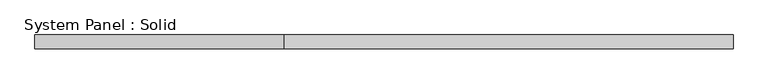
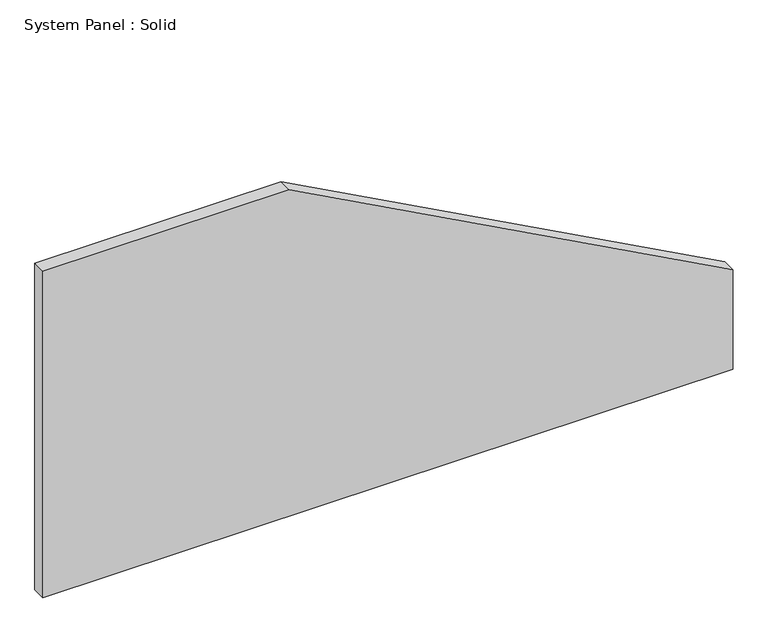
"""IFC4 building model written with IfcOpenShell, lengths in millimetres: plate geometry, System Panel : Solid."""

import ifcopenshell
import ifcopenshell.guid

model = None  # the IFC model being written
_history = None  # IfcOwnerHistory: only IFC2X3 demands one
_inside = {}  # id of a spatial element -> (the spatial element, [elements in it])
_under = {}  # id of a project, library or spatial element -> (it, [spatial elements below it])
_declared = {}  # id of a project -> (the project, [libraries it declares])
_typed = {}  # id of a type object -> (the type object, [elements of that type])
_made_of = {}  # id of a material, layer set ... -> (it, [elements and type objects made of it])


def new_model(schema):
    """Start an empty IFC model of exactly this schema.

    Asked for "IFC4X3", IfcOpenShell would pick the latest addendum, in which some entities
    have other attributes; the version numbers below select the first issue.
    IFC2X3 requires an IfcOwnerHistory on every rooted entity: one is made here for all.
    """
    global model, _history
    if schema == "IFC4X3":
        model = ifcopenshell.file(schema_version=(4, 3, 0, 0))
    else:
        model = ifcopenshell.file(schema=schema)
    _inside.clear()
    _under.clear()
    _declared.clear()
    _typed.clear()
    _made_of.clear()
    _history = None
    if model.schema == "IFC2X3":
        org = make("IfcOrganization", Name="unknown")
        user = make(
            "IfcPersonAndOrganization",
            ThePerson=make("IfcPerson", FamilyName="unknown"),
            TheOrganization=org,
        )
        app = make(
            "IfcApplication",
            ApplicationDeveloper=org,
            Version="unknown",
            ApplicationFullName="unknown",
            ApplicationIdentifier="unknown",
        )
        _history = make(
            "IfcOwnerHistory",
            OwningUser=user,
            OwningApplication=app,
            ChangeAction="ADDED",
            CreationDate=0,
        )
    return model


def make(cls, **values):
    """One entity of the class cls with the attributes given. An attribute that is None is left unset."""
    return model.create_entity(
        cls, **{name: value for name, value in values.items() if value is not None}
    )


def rooted(cls, **values):
    """An entity with a GlobalId (a new one), such as an element, a storey or a relation."""
    return make(cls, GlobalId=ifcopenshell.guid.new(), OwnerHistory=_history, **values)


def si_unit(unit_type, name, prefix=None):
    """IfcSIUnit, for example si_unit("LENGTHUNIT", "METRE", prefix="MILLI")."""
    return make("IfcSIUnit", UnitType=unit_type, Prefix=prefix, Name=name)


def assignment(units):
    """IfcUnitAssignment: the units of a project."""
    return None if units is None else make("IfcUnitAssignment", Units=units)


def point(xyz):
    """IfcCartesianPoint."""
    return None if xyz is None else make("IfcCartesianPoint", Coordinates=xyz)


def direction(xyz):
    """IfcDirection."""
    return None if xyz is None else make("IfcDirection", DirectionRatios=xyz)


def frame(location, z_axis=None, x_axis=None):
    """IfcAxis2Placement3D, a coordinate frame: its origin and axes. An axis left out is left unset."""
    return make(
        "IfcAxis2Placement3D",
        Location=point(location),
        Axis=direction(z_axis),
        RefDirection=direction(x_axis),
    )


def origin():
    """The frame at (0, 0, 0) with its axes left unset."""
    return frame((0.0, 0.0, 0.0))


def place(relative_to, where):
    """IfcLocalPlacement: puts the frame where relative to a parent placement (None: the world)."""
    return make(
        "IfcLocalPlacement", PlacementRelTo=relative_to, RelativePlacement=where
    )


def context(
    kind, dimensions, precision=None, world=None, true_north=None, identifier=None
):
    """IfcGeometricRepresentationContext, for example the 3D "Model" context."""
    return make(
        "IfcGeometricRepresentationContext",
        ContextIdentifier=identifier,
        ContextType=kind,
        CoordinateSpaceDimension=dimensions,
        Precision=precision,
        WorldCoordinateSystem=world,
        TrueNorth=true_north,
    )


def project(units=None, contexts=None):
    """IfcProject with its units and contexts."""
    return rooted(
        "IfcProject",
        Name="project",
        RepresentationContexts=contexts,
        UnitsInContext=assignment(units),
    )


def spatial(cls, under=None, at=None, **own):
    """A site, building, storey or space (cls), placed at a placement, below another one or the project."""
    s = rooted(cls, ObjectPlacement=at, **own)
    if under is not None:
        _under.setdefault(under.id(), (under, []))[1].append(s)
    return s


def polyline(points):
    """IfcPolyline through the points."""
    return make("IfcPolyline", Points=[point(p) for p in points])


def outline(outer, holes=None, kind="AREA"):
    """IfcArbitraryClosedProfileDef: a profile drawn as a closed curve; with holes, ...WithVoids."""
    if holes is None:
        return make("IfcArbitraryClosedProfileDef", ProfileType=kind, OuterCurve=outer)
    return make(
        "IfcArbitraryProfileDefWithVoids",
        ProfileType=kind,
        OuterCurve=outer,
        InnerCurves=holes,
    )


def extrude(swept, where, along, depth):
    """IfcExtrudedAreaSolid: the profile swept, set in the frame where, extruded along a direction by depth."""
    return make(
        "IfcExtrudedAreaSolid",
        SweptArea=swept,
        Position=where,
        ExtrudedDirection=direction(along),
        Depth=depth,
    )


def shape(context_of_items, identifier, shape_type, items):
    """IfcShapeRepresentation: the items that make up one representation, for example the "Body"."""
    return make(
        "IfcShapeRepresentation",
        ContextOfItems=context_of_items,
        RepresentationIdentifier=identifier,
        RepresentationType=shape_type,
        Items=items,
    )


def source(mapping_origin, context_of_items, identifier, shape_type, items):
    """IfcRepresentationMap: a shape defined once, which mapped items show again and again."""
    return make(
        "IfcRepresentationMap",
        MappingOrigin=mapping_origin,
        MappedRepresentation=shape(context_of_items, identifier, shape_type, items),
    )


def transform(
    local_origin,
    x_axis=None,
    y_axis=None,
    z_axis=None,
    scale=None,
    scale2=None,
    scale3=None,
    uniform=True,
):
    """IfcCartesianTransformationOperator3D, or its non-uniform kind. x_axis, y_axis, z_axis: its Axis1, 2, 3."""
    if uniform:
        return make(
            "IfcCartesianTransformationOperator3D",
            Axis1=direction(x_axis),
            Axis2=direction(y_axis),
            LocalOrigin=point(local_origin),
            Scale=scale,
            Axis3=direction(z_axis),
        )
    return make(
        "IfcCartesianTransformationOperator3DnonUniform",
        Axis1=direction(x_axis),
        Axis2=direction(y_axis),
        LocalOrigin=point(local_origin),
        Scale=scale,
        Axis3=direction(z_axis),
        Scale2=scale2,
        Scale3=scale3,
    )


def mapped(mapping_source, mapping_target):
    """IfcMappedItem: shows the shape of a source again, moved by a transform."""
    return make(
        "IfcMappedItem", MappingSource=mapping_source, MappingTarget=mapping_target
    )


def made_of(thing, what):
    """Note that an element or type object is made of a material, layer set ...; save() writes the relation."""
    if what is not None:
        _made_of.setdefault(what.id(), (what, []))[1].append(thing)
    return thing


def element(
    cls,
    number,
    at=None,
    inside=None,
    cuts=None,
    type_object=None,
    material=None,
    context=None,
    identifier="Body",
    shape_type=None,
    held_by="IfcProductDefinitionShape",
    body=None,
    shapes=None,
    **own,
):
    """One element of the class cls, such as IfcWall. Its Tag is "e" and its number.

    at: its placement. inside: the storey or other place that contains it. cuts: it is an
    opening in that element (IfcRelVoidsElement). A single representation is given by context,
    identifier, shape_type and body (its items); several are given by shapes. held_by: the class
    of the entity that holds the representations. save() writes the other relations.
    """
    e = rooted(cls, Tag="e%d" % number, ObjectPlacement=at, **own)
    if body is not None:
        shapes = [shape(context, identifier, shape_type, body)]
    if shapes is not None:
        e.Representation = make(held_by, Representations=shapes)
    if inside is not None:
        _inside.setdefault(inside.id(), (inside, []))[1].append(e)
    if cuts is not None:
        rooted(
            "IfcRelVoidsElement", RelatingBuildingElement=cuts, RelatedOpeningElement=e
        )
    if type_object is not None:
        _typed.setdefault(type_object.id(), (type_object, []))[1].append(e)
    return made_of(e, material)


def aggregate(whole, parts):
    """IfcRelAggregates: a whole, such as a stair, and the parts it consists of."""
    return rooted("IfcRelAggregates", RelatingObject=whole, RelatedObjects=parts)


def save(model, path):
    """Write the relations noted so far, then the file.

    IfcRelAggregates (storeys below a building ...), IfcRelContainedInSpatialStructure (elements
    in a storey), IfcRelDefinesByType, IfcRelAssociatesMaterial and IfcRelDeclares: one each for
    every whole, place, type object, material and project.
    """
    for whole, parts in _under.values():
        aggregate(whole, parts)
    for where, things in _inside.values():
        rooted(
            "IfcRelContainedInSpatialStructure",
            RelatedElements=things,
            RelatingStructure=where,
        )
    for kind, things in _typed.values():
        rooted("IfcRelDefinesByType", RelatedObjects=things, RelatingType=kind)
    for what, things in _made_of.values():
        rooted("IfcRelAssociatesMaterial", RelatedObjects=things, RelatingMaterial=what)
    for by, libraries in _declared.values():
        rooted("IfcRelDeclares", RelatingContext=by, RelatedDefinitions=libraries)
    model.write(path)


def system_panel_solid_46e3585d(model_context):
    return source(origin(), model_context, "Body", "SweptSolid", [
        extrude(outline(polyline([(0.0, -1500.0), (0.0, 1500.0), (457.4136524, 1500.0), (1500.0, -428.4852554), (1500.0, -1500.0), (0.0, -1500.0)])), frame((0.0, -10.5, 0.0), z_axis=(0.0, 1.0, 0.0), x_axis=(0.0, 0.0, 1.0)), (0.0, 0.0, 1.0), 60.0),
    ])


if __name__ == "__main__":
    model = new_model("IFC4")
    model_context = context("Model", 3, world=origin())
    ifc_project = project(units=[si_unit("LENGTHUNIT", "METRE", prefix="MILLI")], contexts=[model_context])
    site = spatial("IfcSite", under=ifc_project)
    building = spatial("IfcBuilding", under=site)
    placement = place(None, origin())
    system_panel_solid_shape = system_panel_solid_46e3585d(model_context)
    element("IfcPlate", 1, ObjectType="System Panel : Solid", at=placement, inside=building, context=model_context, shape_type="MappedRepresentation", body=[
        mapped(system_panel_solid_shape, transform((0.0, 0.0, 0.0), x_axis=(1.0, 0.0, 0.0), y_axis=(0.0, 1.0, 0.0), z_axis=(0.0, 0.0, 1.0))),
    ])
    save(model, "model.ifc")
